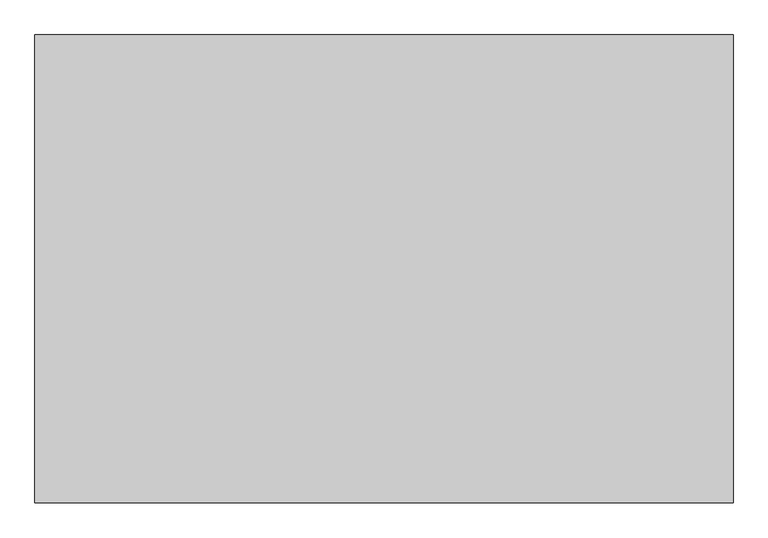
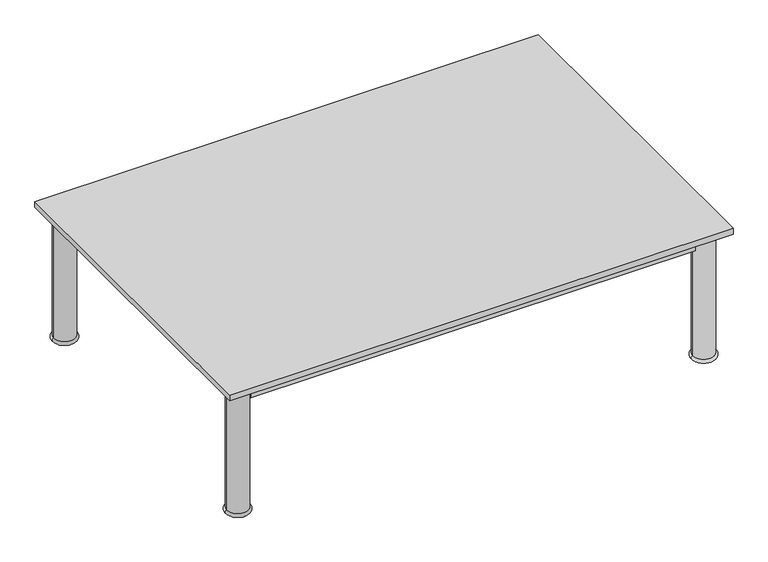
"""IFC4 building model written with IfcOpenShell, lengths in millimetres: furniture geometry."""

import ifcopenshell
import ifcopenshell.guid

model = None  # the IFC model being written
_history = None  # IfcOwnerHistory: only IFC2X3 demands one
_inside = {}  # id of a spatial element -> (the spatial element, [elements in it])
_under = {}  # id of a project, library or spatial element -> (it, [spatial elements below it])
_declared = {}  # id of a project -> (the project, [libraries it declares])
_typed = {}  # id of a type object -> (the type object, [elements of that type])
_made_of = {}  # id of a material, layer set ... -> (it, [elements and type objects made of it])


def new_model(schema):
    """Start an empty IFC model of exactly this schema.

    Asked for "IFC4X3", IfcOpenShell would pick the latest addendum, in which some entities
    have other attributes; the version numbers below select the first issue.
    IFC2X3 requires an IfcOwnerHistory on every rooted entity: one is made here for all.
    """
    global model, _history
    if schema == "IFC4X3":
        model = ifcopenshell.file(schema_version=(4, 3, 0, 0))
    else:
        model = ifcopenshell.file(schema=schema)
    _inside.clear()
    _under.clear()
    _declared.clear()
    _typed.clear()
    _made_of.clear()
    _history = None
    if model.schema == "IFC2X3":
        org = make("IfcOrganization", Name="unknown")
        user = make(
            "IfcPersonAndOrganization",
            ThePerson=make("IfcPerson", FamilyName="unknown"),
            TheOrganization=org,
        )
        app = make(
            "IfcApplication",
            ApplicationDeveloper=org,
            Version="unknown",
            ApplicationFullName="unknown",
            ApplicationIdentifier="unknown",
        )
        _history = make(
            "IfcOwnerHistory",
            OwningUser=user,
            OwningApplication=app,
            ChangeAction="ADDED",
            CreationDate=0,
        )
    return model


def make(cls, **values):
    """One entity of the class cls with the attributes given. An attribute that is None is left unset."""
    return model.create_entity(
        cls, **{name: value for name, value in values.items() if value is not None}
    )


def rooted(cls, **values):
    """An entity with a GlobalId (a new one), such as an element, a storey or a relation."""
    return make(cls, GlobalId=ifcopenshell.guid.new(), OwnerHistory=_history, **values)


def si_unit(unit_type, name, prefix=None):
    """IfcSIUnit, for example si_unit("LENGTHUNIT", "METRE", prefix="MILLI")."""
    return make("IfcSIUnit", UnitType=unit_type, Prefix=prefix, Name=name)


def assignment(units):
    """IfcUnitAssignment: the units of a project."""
    return None if units is None else make("IfcUnitAssignment", Units=units)


def point(xyz):
    """IfcCartesianPoint."""
    return None if xyz is None else make("IfcCartesianPoint", Coordinates=xyz)


def direction(xyz):
    """IfcDirection."""
    return None if xyz is None else make("IfcDirection", DirectionRatios=xyz)


def frame(location, z_axis=None, x_axis=None):
    """IfcAxis2Placement3D, a coordinate frame: its origin and axes. An axis left out is left unset."""
    return make(
        "IfcAxis2Placement3D",
        Location=point(location),
        Axis=direction(z_axis),
        RefDirection=direction(x_axis),
    )


def origin():
    """The frame at (0, 0, 0) with its axes left unset."""
    return frame((0.0, 0.0, 0.0))


def place(relative_to, where):
    """IfcLocalPlacement: puts the frame where relative to a parent placement (None: the world)."""
    return make(
        "IfcLocalPlacement", PlacementRelTo=relative_to, RelativePlacement=where
    )


def context(
    kind, dimensions, precision=None, world=None, true_north=None, identifier=None
):
    """IfcGeometricRepresentationContext, for example the 3D "Model" context."""
    return make(
        "IfcGeometricRepresentationContext",
        ContextIdentifier=identifier,
        ContextType=kind,
        CoordinateSpaceDimension=dimensions,
        Precision=precision,
        WorldCoordinateSystem=world,
        TrueNorth=true_north,
    )


def project(units=None, contexts=None):
    """IfcProject with its units and contexts."""
    return rooted(
        "IfcProject",
        Name="project",
        RepresentationContexts=contexts,
        UnitsInContext=assignment(units),
    )


def spatial(cls, under=None, at=None, **own):
    """A site, building, storey or space (cls), placed at a placement, below another one or the project."""
    s = rooted(cls, ObjectPlacement=at, **own)
    if under is not None:
        _under.setdefault(under.id(), (under, []))[1].append(s)
    return s


def polyline(points):
    """IfcPolyline through the points."""
    return make("IfcPolyline", Points=[point(p) for p in points])


def circle_curve(where, radius):
    """IfcCircle in the frame where."""
    return make("IfcCircle", Position=where, Radius=radius)


def ellipse_curve(where, semi_axis1, semi_axis2):
    """IfcEllipse in the frame where."""
    return make(
        "IfcEllipse", Position=where, SemiAxis1=semi_axis1, SemiAxis2=semi_axis2
    )


def trimmed(basis, trim1, trim2, sense, master):
    """IfcTrimmedCurve: the piece of a basis curve between two trims."""
    return make(
        "IfcTrimmedCurve",
        BasisCurve=basis,
        Trim1=trim1,
        Trim2=trim2,
        SenseAgreement=sense,
        MasterRepresentation=master,
    )


def outline(outer, holes=None, kind="AREA"):
    """IfcArbitraryClosedProfileDef: a profile drawn as a closed curve; with holes, ...WithVoids."""
    if holes is None:
        return make("IfcArbitraryClosedProfileDef", ProfileType=kind, OuterCurve=outer)
    return make(
        "IfcArbitraryProfileDefWithVoids",
        ProfileType=kind,
        OuterCurve=outer,
        InnerCurves=holes,
    )


def extrude(swept, where, along, depth):
    """IfcExtrudedAreaSolid: the profile swept, set in the frame where, extruded along a direction by depth."""
    return make(
        "IfcExtrudedAreaSolid",
        SweptArea=swept,
        Position=where,
        ExtrudedDirection=direction(along),
        Depth=depth,
    )


def shape(context_of_items, identifier, shape_type, items):
    """IfcShapeRepresentation: the items that make up one representation, for example the "Body"."""
    return make(
        "IfcShapeRepresentation",
        ContextOfItems=context_of_items,
        RepresentationIdentifier=identifier,
        RepresentationType=shape_type,
        Items=items,
    )


def source(mapping_origin, context_of_items, identifier, shape_type, items):
    """IfcRepresentationMap: a shape defined once, which mapped items show again and again."""
    return make(
        "IfcRepresentationMap",
        MappingOrigin=mapping_origin,
        MappedRepresentation=shape(context_of_items, identifier, shape_type, items),
    )


def transform(
    local_origin,
    x_axis=None,
    y_axis=None,
    z_axis=None,
    scale=None,
    scale2=None,
    scale3=None,
    uniform=True,
):
    """IfcCartesianTransformationOperator3D, or its non-uniform kind. x_axis, y_axis, z_axis: its Axis1, 2, 3."""
    if uniform:
        return make(
            "IfcCartesianTransformationOperator3D",
            Axis1=direction(x_axis),
            Axis2=direction(y_axis),
            LocalOrigin=point(local_origin),
            Scale=scale,
            Axis3=direction(z_axis),
        )
    return make(
        "IfcCartesianTransformationOperator3DnonUniform",
        Axis1=direction(x_axis),
        Axis2=direction(y_axis),
        LocalOrigin=point(local_origin),
        Scale=scale,
        Axis3=direction(z_axis),
        Scale2=scale2,
        Scale3=scale3,
    )


def mapped(mapping_source, mapping_target):
    """IfcMappedItem: shows the shape of a source again, moved by a transform."""
    return make(
        "IfcMappedItem", MappingSource=mapping_source, MappingTarget=mapping_target
    )


def made_of(thing, what):
    """Note that an element or type object is made of a material, layer set ...; save() writes the relation."""
    if what is not None:
        _made_of.setdefault(what.id(), (what, []))[1].append(thing)
    return thing


def element(
    cls,
    number,
    at=None,
    inside=None,
    cuts=None,
    type_object=None,
    material=None,
    context=None,
    identifier="Body",
    shape_type=None,
    held_by="IfcProductDefinitionShape",
    body=None,
    shapes=None,
    **own,
):
    """One element of the class cls, such as IfcWall. Its Tag is "e" and its number.

    at: its placement. inside: the storey or other place that contains it. cuts: it is an
    opening in that element (IfcRelVoidsElement). A single representation is given by context,
    identifier, shape_type and body (its items); several are given by shapes. held_by: the class
    of the entity that holds the representations. save() writes the other relations.
    """
    e = rooted(cls, Tag="e%d" % number, ObjectPlacement=at, **own)
    if body is not None:
        shapes = [shape(context, identifier, shape_type, body)]
    if shapes is not None:
        e.Representation = make(held_by, Representations=shapes)
    if inside is not None:
        _inside.setdefault(inside.id(), (inside, []))[1].append(e)
    if cuts is not None:
        rooted(
            "IfcRelVoidsElement", RelatingBuildingElement=cuts, RelatedOpeningElement=e
        )
    if type_object is not None:
        _typed.setdefault(type_object.id(), (type_object, []))[1].append(e)
    return made_of(e, material)


def aggregate(whole, parts):
    """IfcRelAggregates: a whole, such as a stair, and the parts it consists of."""
    return rooted("IfcRelAggregates", RelatingObject=whole, RelatedObjects=parts)


def save(model, path):
    """Write the relations noted so far, then the file.

    IfcRelAggregates (storeys below a building ...), IfcRelContainedInSpatialStructure (elements
    in a storey), IfcRelDefinesByType, IfcRelAssociatesMaterial and IfcRelDeclares: one each for
    every whole, place, type object, material and project.
    """
    for whole, parts in _under.values():
        aggregate(whole, parts)
    for where, things in _inside.values():
        rooted(
            "IfcRelContainedInSpatialStructure",
            RelatedElements=things,
            RelatingStructure=where,
        )
    for kind, things in _typed.values():
        rooted("IfcRelDefinesByType", RelatedObjects=things, RelatingType=kind)
    for what, things in _made_of.values():
        rooted("IfcRelAssociatesMaterial", RelatedObjects=things, RelatingMaterial=what)
    for by, libraries in _declared.values():
        rooted("IfcRelDeclares", RelatingContext=by, RelatedDefinitions=libraries)
    model.write(path)


def plane_surface(at):
    """IfcPlane: the flat surface through the origin of the frame at, square to its z axis."""
    return make("IfcPlane", Position=at)


def cylinder_surface(at, radius):
    """IfcCylindricalSurface: all points at the distance radius from the z axis of the frame at."""
    return make("IfcCylindricalSurface", Position=at, Radius=radius)


def revolved_surface(curve, axis_point, axis_direction):
    """IfcSurfaceOfRevolution: the curve turned about the line through axis_point along axis_direction."""
    return make(
        "IfcSurfaceOfRevolution",
        SweptCurve=make("IfcArbitraryOpenProfileDef", ProfileType="CURVE", Curve=curve),
        AxisPosition=make("IfcAxis1Placement", Location=point(axis_point), Axis=direction(axis_direction)),
    )


def advanced_brep(points, edges, surfaces, faces):
    """IfcAdvancedBrep: a solid bounded by faces that lie on surfaces and meet in shared edges.

    An edge is (start, end): straight between two places in points (the first is 0);
    or (start, end, curve); or (start, end, curve, False) where it runs against its curve.
    A face is (place in surfaces, loops), or (place, loops, False) where it looks against
    its surface's normal. A loop lists edges by number (the first is 1), with a minus sign
    where the edge is run from its end to its start. The first loop is the outer one.
    """
    corners = [point(p) for p in points]
    vertices = [make("IfcVertexPoint", VertexGeometry=c) for c in corners]
    made = []
    for start, end, *more in edges:
        made.append(
            make(
                "IfcEdgeCurve",
                EdgeStart=vertices[start],
                EdgeEnd=vertices[end],
                EdgeGeometry=more[0] if more else make("IfcPolyline", Points=[corners[start], corners[end]]),
                SameSense=more[1] if len(more) > 1 else True,
            )
        )
    hull = []
    for where, loops, *sense in faces:
        bounds = []
        for j, loop in enumerate(loops):
            ring = [make("IfcOrientedEdge", EdgeElement=made[abs(k) - 1], Orientation=k > 0) for k in loop]
            bounds.append(
                make(
                    "IfcFaceOuterBound" if j == 0 else "IfcFaceBound",
                    Bound=make("IfcEdgeLoop", EdgeList=ring),
                    Orientation=True,
                )
            )
        hull.append(make("IfcAdvancedFace", Bounds=bounds, FaceSurface=surfaces[where], SameSense=sense[0] if sense else True))
    return make("IfcAdvancedBrep", Outer=make("IfcClosedShell", CfsFaces=hull))


def furniture_ffa5b0c7(model_context):
    return source(origin(), model_context, "Body", "SolidModel", [
        extrude(outline(polyline([(527.05, -350.1049408), (527.05, -369.1549408), (-527.05, -369.1549408), (-527.05, -350.1049408), (527.05, -350.1049408)])), frame((0.0, 0.0, 277.8125), z_axis=(0.0, 0.0, 1.0), x_axis=(1.0, 0.0, 0.0)), (0.0, 0.0, 1.0), 33.3375),
        extrude(outline(polyline([(527.05, 361.0950592), (527.05, 342.0450592), (-527.05, 342.0450592), (-527.05, 361.0950592), (527.05, 361.0950592)])), frame((0.0, 0.0, 277.8125), z_axis=(0.0, 0.0, 1.0), x_axis=(1.0, 0.0, 0.0)), (0.0, 0.0, 1.0), 33.3375),
        extrude(outline(polyline([(-542.925, 326.1700592), (-542.925, -334.2299408), (-561.975, -334.2299408), (-561.975, 326.1700592), (-542.925, 326.1700592)])), frame((0.0, 0.0, 277.8125), z_axis=(0.0, 0.0, 1.0), x_axis=(1.0, 0.0, 0.0)), (0.0, 0.0, 1.0), 33.3375),
        extrude(outline(polyline([(561.975, 326.1700592), (561.975, -334.2299408), (542.925, -334.2299408), (542.925, 326.1700592), (561.975, 326.1700592)])), frame((0.0, 0.0, 277.8125), z_axis=(0.0, 0.0, 1.0), x_axis=(1.0, 0.0, 0.0)), (0.0, 0.0, 1.0), 33.3375),
        advanced_brep(
        [(527.05, 351.5700592, 0.0), (577.85, 351.5700592, 0.0), (577.85, 351.5700592, 7.9375), (527.05, 351.5700592, 7.9375), (577.85, 351.5700592, 311.15), (527.05, 351.5700592, 311.15), (577.85, 351.5700592, 315.9125), (527.05, 351.5700592, 315.9125), (552.45, 351.5700592, 315.9125), (552.45, 351.5700592, 0.0)],
        [
            (0, 1, circle_curve(frame((552.45, 351.5700592, 0.0), z_axis=(0.0, 0.0, 1.0), x_axis=(1.0, 0.0, 0.0)), 25.4)),
            (1, 2, circle_curve(frame((577.85, 351.5700592, 3.96875), z_axis=(0.0, -1.0, 0.0), x_axis=(-1.0, 0.0, 0.0)), 3.96875)),
            (2, 3, circle_curve(frame((552.45, 351.5700592, 7.9375), z_axis=(0.0, 0.0, -1.0), x_axis=(1.0, 0.0, 0.0)), 25.4)),
            (3, 0, circle_curve(frame((527.05, 351.5700592, 3.96875), z_axis=(0.0, -1.0, 0.0), x_axis=(1.0, 0.0, 0.0)), 3.96875)),
            (1, 0, circle_curve(frame((552.45, 351.5700592, 0.0), z_axis=(0.0, 0.0, 1.0), x_axis=(1.0, 0.0, 0.0)), 25.4)),
            (3, 2, circle_curve(frame((552.45, 351.5700592, 7.9375), z_axis=(0.0, 0.0, -1.0), x_axis=(1.0, 0.0, 0.0)), 25.4)),
            (2, 4),
            (4, 5, circle_curve(frame((552.45, 351.5700592, 311.15), z_axis=(0.0, 0.0, -1.0), x_axis=(1.0, 0.0, 0.0)), 25.4)),
            (5, 3),
            (5, 4, circle_curve(frame((552.45, 351.5700592, 311.15), z_axis=(0.0, 0.0, -1.0), x_axis=(1.0, 0.0, 0.0)), 25.4)),
            (4, 6),
            (6, 7, circle_curve(frame((552.45, 351.5700592, 315.9125), z_axis=(0.0, 0.0, -1.0), x_axis=(1.0, 0.0, 0.0)), 25.4)),
            (7, 5),
            (7, 6, circle_curve(frame((552.45, 351.5700592, 315.9125), z_axis=(0.0, 0.0, -1.0), x_axis=(1.0, 0.0, 0.0)), 25.4)),
            (6, 8),
            (8, 7),
            (9, 1),
            (0, 9),
        ],
        [
            revolved_surface(trimmed(ellipse_curve(frame((577.85, 351.5700592, 3.96875), z_axis=(0.0, 1.0, 0.0), x_axis=(-1.0, 0.0, 0.0)), 3.96875, 3.96875), [point((577.85, 351.5700592, 7.9375))], [point((577.85, 351.5700592, 0.0))], True, "CARTESIAN"), (552.45, 351.5700592, 2070.1), (0.0, 0.0, -1.0)),
            cylinder_surface(frame((552.45, 351.5700592, 2070.1), z_axis=(0.0, 0.0, -1.0), x_axis=(1.0, 0.0, 0.0)), 25.4),
            plane_surface(frame((552.45, 351.5700592, 315.9125), z_axis=(0.0, 0.0, 1.0), x_axis=(1.0, 0.0, 0.0))),
            plane_surface(frame((552.45, 351.5700592, 0.0), z_axis=(0.0, 0.0, -1.0), x_axis=(1.0, 0.0, 0.0))),
        ],
        [
            (0, [[1, 2, 3, 4]]),
            (0, [[5, -4, 6, -2]]),
            (1, [[-3, 7, 8, 9]]),
            (1, [[-6, -9, 10, -7]]),
            (1, [[-8, 11, 12, 13]]),
            (1, [[-10, -13, 14, -11]]),
            (2, [[-12, 15, 16]]),
            (2, [[-14, -16, -15]]),
            (3, [[17, -1, 18]]),
            (3, [[-18, -5, -17]]),
        ],
    ),
        advanced_brep(
        [(-527.05, 351.5700592, 7.9375), (-577.85, 351.5700592, 7.9375), (-577.85, 351.5700592, 0.0), (-527.05, 351.5700592, 0.0), (-527.05, 351.5700592, 311.15), (-577.85, 351.5700592, 311.15), (-527.05, 351.5700592, 315.9125), (-577.85, 351.5700592, 315.9125), (-552.45, 351.5700592, 315.9125), (-552.45, 351.5700592, 0.0)],
        [
            (0, 1, circle_curve(frame((-552.45, 351.5700592, 7.9375), z_axis=(0.0, 0.0, -1.0), x_axis=(-1.0, 0.0, 0.0)), 25.4)),
            (1, 2, circle_curve(frame((-577.85, 351.5700592, 3.96875), z_axis=(0.0, -1.0, 0.0), x_axis=(-1.0, 0.0, 0.0)), 3.96875)),
            (2, 3, circle_curve(frame((-552.45, 351.5700592, 0.0), z_axis=(0.0, 0.0, 1.0), x_axis=(-1.0, 0.0, 0.0)), 25.4)),
            (3, 0, circle_curve(frame((-527.05, 351.5700592, 3.96875), z_axis=(0.0, -1.0, 0.0), x_axis=(1.0, 0.0, 0.0)), 3.96875)),
            (1, 0, circle_curve(frame((-552.45, 351.5700592, 7.9375), z_axis=(0.0, 0.0, -1.0), x_axis=(-1.0, 0.0, 0.0)), 25.4)),
            (3, 2, circle_curve(frame((-552.45, 351.5700592, 0.0), z_axis=(0.0, 0.0, 1.0), x_axis=(-1.0, 0.0, 0.0)), 25.4)),
            (4, 5, circle_curve(frame((-552.45, 351.5700592, 311.15), z_axis=(0.0, 0.0, -1.0), x_axis=(-1.0, 0.0, 0.0)), 25.4)),
            (5, 1),
            (0, 4),
            (5, 4, circle_curve(frame((-552.45, 351.5700592, 311.15), z_axis=(0.0, 0.0, -1.0), x_axis=(-1.0, 0.0, 0.0)), 25.4)),
            (6, 7, circle_curve(frame((-552.45, 351.5700592, 315.9125), z_axis=(0.0, 0.0, -1.0), x_axis=(-1.0, 0.0, 0.0)), 25.4)),
            (7, 5),
            (4, 6),
            (7, 6, circle_curve(frame((-552.45, 351.5700592, 315.9125), z_axis=(0.0, 0.0, -1.0), x_axis=(-1.0, 0.0, 0.0)), 25.4)),
            (8, 7),
            (6, 8),
            (2, 9),
            (9, 3),
        ],
        [
            revolved_surface(trimmed(ellipse_curve(frame((-577.85, 351.5700592, 3.96875), z_axis=(0.0, 1.0, 0.0), x_axis=(-1.0, 0.0, 0.0)), 3.96875, 3.96875), [point((-577.85, 351.5700592, 0.0))], [point((-577.85, 351.5700592, 7.9375))], True, "CARTESIAN"), (-552.45, 351.5700592, 2070.1), (0.0, 0.0, 1.0)),
            cylinder_surface(frame((-552.45, 351.5700592, 2070.1), z_axis=(0.0, 0.0, 1.0), x_axis=(-1.0, 0.0, 0.0)), 25.4),
            plane_surface(frame((-552.45, 351.5700592, 315.9125), z_axis=(0.0, 0.0, 1.0), x_axis=(-1.0, 0.0, 0.0))),
            plane_surface(frame((-552.45, 351.5700592, 0.0), z_axis=(0.0, 0.0, -1.0), x_axis=(-1.0, 0.0, 0.0))),
        ],
        [
            (0, [[1, 2, 3, 4]]),
            (0, [[5, -4, 6, -2]]),
            (1, [[7, 8, -1, 9]]),
            (1, [[10, -9, -5, -8]]),
            (1, [[11, 12, -7, 13]]),
            (1, [[14, -13, -10, -12]]),
            (2, [[15, -11, 16]]),
            (2, [[-16, -14, -15]]),
            (3, [[-3, 17, 18]]),
            (3, [[-6, -18, -17]]),
        ],
    ),
        advanced_brep(
        [(526.7957141, -359.6299408, 0.0), (578.1042859, -359.6299408, 0.0), (577.85, -359.6299408, 7.9293453), (527.05, -359.6299408, 7.9293453), (577.85, -359.6299408, 311.15), (527.05, -359.6299408, 311.15), (577.85, -359.6299408, 315.9125), (527.05, -359.6299408, 315.9125), (552.45, -359.6299408, 315.9125), (552.45, -359.6299408, 0.0)],
        [
            (0, 1, circle_curve(frame((552.45, -359.6299408, 0.0), z_axis=(0.0, 0.0, 1.0), x_axis=(1.0, 0.0, 0.0)), 25.6542859)),
            (1, 2, circle_curve(frame((578.1042859, -359.6299408, 3.96875), z_axis=(0.0, -1.0, 0.0), x_axis=(1.0, 0.0, 0.0)), 3.96875)),
            (2, 3, circle_curve(frame((552.45, -359.6299408, 7.9293453), z_axis=(0.0, 0.0, -1.0), x_axis=(1.0, 0.0, 0.0)), 25.4)),
            (3, 0, circle_curve(frame((526.7957141, -359.6299408, 3.96875), z_axis=(0.0, -1.0, 0.0), x_axis=(-1.0, 0.0, 0.0)), 3.96875)),
            (1, 0, circle_curve(frame((552.45, -359.6299408, 0.0), z_axis=(0.0, 0.0, 1.0), x_axis=(1.0, 0.0, 0.0)), 25.6542859)),
            (3, 2, circle_curve(frame((552.45, -359.6299408, 7.9293453), z_axis=(0.0, 0.0, -1.0), x_axis=(1.0, 0.0, 0.0)), 25.4)),
            (2, 4),
            (4, 5, circle_curve(frame((552.45, -359.6299408, 311.15), z_axis=(0.0, 0.0, -1.0), x_axis=(1.0, 0.0, 0.0)), 25.4)),
            (5, 3),
            (5, 4, circle_curve(frame((552.45, -359.6299408, 311.15), z_axis=(0.0, 0.0, -1.0), x_axis=(1.0, 0.0, 0.0)), 25.4)),
            (4, 6),
            (6, 7, circle_curve(frame((552.45, -359.6299408, 315.9125), z_axis=(0.0, 0.0, -1.0), x_axis=(1.0, 0.0, 0.0)), 25.4)),
            (7, 5),
            (7, 6, circle_curve(frame((552.45, -359.6299408, 315.9125), z_axis=(0.0, 0.0, -1.0), x_axis=(1.0, 0.0, 0.0)), 25.4)),
            (6, 8),
            (8, 7),
            (9, 1),
            (0, 9),
        ],
        [
            revolved_surface(trimmed(ellipse_curve(frame((578.1042859, -359.6299408, 3.96875), z_axis=(0.0, 1.0, 0.0), x_axis=(1.0, 0.0, 0.0)), 3.96875, 3.96875), [point((577.85, -359.6299408, 7.9293453))], [point((578.1042859, -359.6299408, 0.0))], True, "CARTESIAN"), (552.45, -359.6299408, 2070.1), (0.0, 0.0, -1.0)),
            cylinder_surface(frame((552.45, -359.6299408, 2070.1), z_axis=(0.0, 0.0, -1.0), x_axis=(1.0, 0.0, 0.0)), 25.4),
            plane_surface(frame((552.45, -359.6299408, 315.9125), z_axis=(0.0, 0.0, 1.0), x_axis=(1.0, 0.0, 0.0))),
            plane_surface(frame((552.45, -359.6299408, 0.0), z_axis=(0.0, 0.0, -1.0), x_axis=(1.0, 0.0, 0.0))),
        ],
        [
            (0, [[1, 2, 3, 4]]),
            (0, [[5, -4, 6, -2]]),
            (1, [[-3, 7, 8, 9]]),
            (1, [[-6, -9, 10, -7]]),
            (1, [[-8, 11, 12, 13]]),
            (1, [[-10, -13, 14, -11]]),
            (2, [[-12, 15, 16]]),
            (2, [[-14, -16, -15]]),
            (3, [[17, -1, 18]]),
            (3, [[-18, -5, -17]]),
        ],
    ),
        advanced_brep(
        [(-527.05, -359.6299408, 7.9375), (-577.85, -359.6299408, 7.9375), (-577.85, -359.6299408, 0.0), (-527.05, -359.6299408, 0.0), (-527.05, -359.6299408, 311.15), (-577.85, -359.6299408, 311.15), (-527.05, -359.6299408, 315.9125), (-577.85, -359.6299408, 315.9125), (-552.45, -359.6299408, 315.9125), (-552.45, -359.6299408, 0.0)],
        [
            (0, 1, circle_curve(frame((-552.45, -359.6299408, 7.9375), z_axis=(0.0, 0.0, -1.0), x_axis=(-1.0, 0.0, 0.0)), 25.4)),
            (1, 2, circle_curve(frame((-577.85, -359.6299408, 3.96875), z_axis=(0.0, -1.0, 0.0), x_axis=(-1.0, 0.0, 0.0)), 3.96875)),
            (2, 3, circle_curve(frame((-552.45, -359.6299408, 0.0), z_axis=(0.0, 0.0, 1.0), x_axis=(-1.0, 0.0, 0.0)), 25.4)),
            (3, 0, circle_curve(frame((-527.05, -359.6299408, 3.96875), z_axis=(0.0, -1.0, 0.0), x_axis=(1.0, 0.0, 0.0)), 3.96875)),
            (1, 0, circle_curve(frame((-552.45, -359.6299408, 7.9375), z_axis=(0.0, 0.0, -1.0), x_axis=(-1.0, 0.0, 0.0)), 25.4)),
            (3, 2, circle_curve(frame((-552.45, -359.6299408, 0.0), z_axis=(0.0, 0.0, 1.0), x_axis=(-1.0, 0.0, 0.0)), 25.4)),
            (4, 5, circle_curve(frame((-552.45, -359.6299408, 311.15), z_axis=(0.0, 0.0, -1.0), x_axis=(-1.0, 0.0, 0.0)), 25.4)),
            (5, 1),
            (0, 4),
            (5, 4, circle_curve(frame((-552.45, -359.6299408, 311.15), z_axis=(0.0, 0.0, -1.0), x_axis=(-1.0, 0.0, 0.0)), 25.4)),
            (6, 7, circle_curve(frame((-552.45, -359.6299408, 315.9125), z_axis=(0.0, 0.0, -1.0), x_axis=(-1.0, 0.0, 0.0)), 25.4)),
            (7, 5),
            (4, 6),
            (7, 6, circle_curve(frame((-552.45, -359.6299408, 315.9125), z_axis=(0.0, 0.0, -1.0), x_axis=(-1.0, 0.0, 0.0)), 25.4)),
            (8, 7),
            (6, 8),
            (2, 9),
            (9, 3),
        ],
        [
            revolved_surface(trimmed(ellipse_curve(frame((-577.85, -359.6299408, 3.96875), z_axis=(0.0, 1.0, 0.0), x_axis=(-1.0, 0.0, 0.0)), 3.96875, 3.96875), [point((-577.85, -359.6299408, 0.0))], [point((-577.85, -359.6299408, 7.9375))], True, "CARTESIAN"), (-552.45, -359.6299408, 2070.1), (0.0, 0.0, 1.0)),
            cylinder_surface(frame((-552.45, -359.6299408, 2070.1), z_axis=(0.0, 0.0, 1.0), x_axis=(-1.0, 0.0, 0.0)), 25.4),
            plane_surface(frame((-552.45, -359.6299408, 315.9125), z_axis=(0.0, 0.0, 1.0), x_axis=(-1.0, 0.0, 0.0))),
            plane_surface(frame((-552.45, -359.6299408, 0.0), z_axis=(0.0, 0.0, -1.0), x_axis=(-1.0, 0.0, 0.0))),
        ],
        [
            (0, [[1, 2, 3, 4]]),
            (0, [[5, -4, 6, -2]]),
            (1, [[7, 8, -1, 9]]),
            (1, [[10, -9, -5, -8]]),
            (1, [[11, 12, -7, 13]]),
            (1, [[14, -13, -10, -12]]),
            (2, [[15, -11, 16]]),
            (2, [[-16, -14, -15]]),
            (3, [[-3, 17, 18]]),
            (3, [[-6, -18, -17]]),
        ],
    ),
        extrude(outline(polyline([(596.9, 396.0200592), (596.9, -404.0799408), (-596.9, -404.0799408), (-596.9, 396.0200592), (596.9, 396.0200592)])), frame((0.0, 0.0, 315.9125), z_axis=(0.0, 0.0, 1.0), x_axis=(1.0, 0.0, 0.0)), (0.0, 0.0, 1.0), 14.2875),
    ])


if __name__ == "__main__":
    model = new_model("IFC4")
    model_context = context("Model", 3, world=origin())
    ifc_project = project(units=[si_unit("LENGTHUNIT", "METRE", prefix="MILLI")], contexts=[model_context])
    site = spatial("IfcSite", under=ifc_project)
    building = spatial("IfcBuilding", under=site)
    placement = place(None, origin())
    furniture_shape = furniture_ffa5b0c7(model_context)
    element("IfcFurniture", 1, at=placement, inside=building, context=model_context, shape_type="MappedRepresentation", body=[
        mapped(furniture_shape, transform((0.0, 0.0, 0.0), x_axis=(1.0, 0.0, 0.0), y_axis=(0.0, 1.0, 0.0), z_axis=(0.0, 0.0, 1.0))),
    ])
    save(model, "model.ifc")
